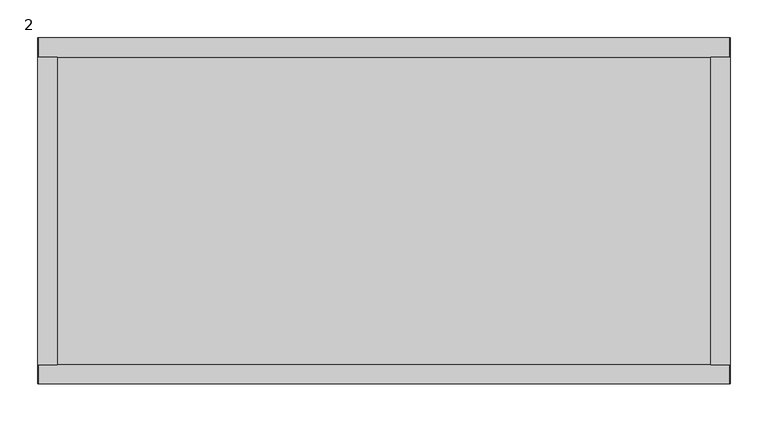
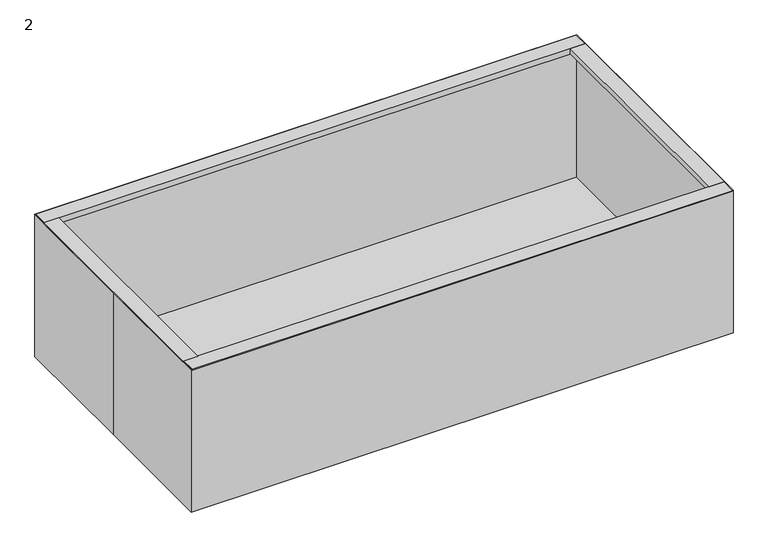
"""IFC4 building model written with IfcOpenShell, lengths in millimetres: furniture geometry, 2."""

from ifc_helpers import new_model, si_unit, frame, origin, origin_with_axes, place, context, project, spatial, polyline, outline, extrude, source, transform, mapped, element, save


def furniture_2_83336a7d(model_context):
    return source(origin(), model_context, "Body", "SweptSolid", [
        extrude(outline(polyline([(254.0, 431.8), (244.475, 431.8), (244.475, 433.3875), (252.4125, 433.3875), (252.4125, 457.2), (254.0, 457.2), (254.0, 431.8)])), frame((0.0, -203.2, 0.0), z_axis=(0.0, 1.0, 0.0), x_axis=(0.0, 0.0, 1.0)), (0.0, 0.0, 1.0), 406.4),
        extrude(outline(polyline([(254.0, -431.8), (254.0, -457.2), (252.4125, -457.2), (252.4125, -433.3875), (244.475, -433.3875), (244.475, -431.8), (254.0, -431.8)])), frame((0.0, -203.2, 0.0), z_axis=(0.0, 1.0, 0.0), x_axis=(0.0, 0.0, 1.0)), (0.0, 0.0, 1.0), 406.4),
        extrude(outline(polyline([(-203.2, 254.0), (-203.2, 244.475), (-204.7875, 244.475), (-204.7875, 252.4125), (-228.6, 252.4125), (-228.6, 254.0), (-203.2, 254.0)])), frame((-455.9101562, 0.0, 0.0), z_axis=(1.0, 0.0, 0.0), x_axis=(0.0, 1.0, 0.0)), (0.0, 0.0, 1.0), 911.8203125),
        extrude(outline(polyline([(203.2, 254.0), (228.6, 254.0), (228.6, 252.4125), (204.7875, 252.4125), (204.7875, 244.475), (203.2, 244.475), (203.2, 254.0)])), frame((-455.9101562, 0.0, 0.0), z_axis=(1.0, 0.0, 0.0), x_axis=(0.0, 1.0, 0.0)), (0.0, 0.0, 1.0), 911.8203125),
        extrude(outline(polyline([(455.9101563, 227.3101563), (455.9101563, -227.3101563), (-455.9101562, -227.3101563), (-455.9101562, 227.3101563), (455.9101563, 227.3101563)])), origin_with_axes(), (0.0, 0.0, 1.0), 1.27),
        extrude(outline(polyline([(-457.2, 228.6), (457.2, 228.6), (457.2, -228.6), (-457.2, -228.6), (-457.2, 0.0), (-457.2, 228.6)]), holes=[polyline([(-455.9101562, -227.3101562), (455.9101563, -227.3101563), (455.9101563, 227.3101562), (-455.9101562, 227.3101563), (-455.9101562, 0.0), (-455.9101562, -227.3101562)])]), origin_with_axes(), (0.0, 0.0, 1.0), 254.0),
    ])


if __name__ == "__main__":
    model = new_model("IFC4")
    model_context = context("Model", 3, world=origin())
    ifc_project = project(units=[si_unit("LENGTHUNIT", "METRE", prefix="MILLI")], contexts=[model_context])
    site = spatial("IfcSite", under=ifc_project)
    building = spatial("IfcBuilding", under=site)
    placement = place(None, origin())
    furniture_2_shape = furniture_2_83336a7d(model_context)
    element("IfcFurniture", 1, ObjectType="2", at=placement, inside=building, context=model_context, shape_type="MappedRepresentation", body=[
        mapped(furniture_2_shape, transform((0.0, 0.0, 0.0), x_axis=(1.0, 0.0, 0.0), y_axis=(0.0, 1.0, 0.0), z_axis=(0.0, 0.0, 1.0))),
    ])
    save(model, "model.ifc")
